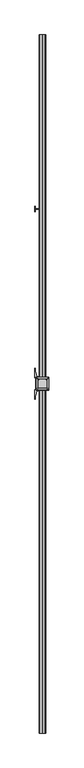
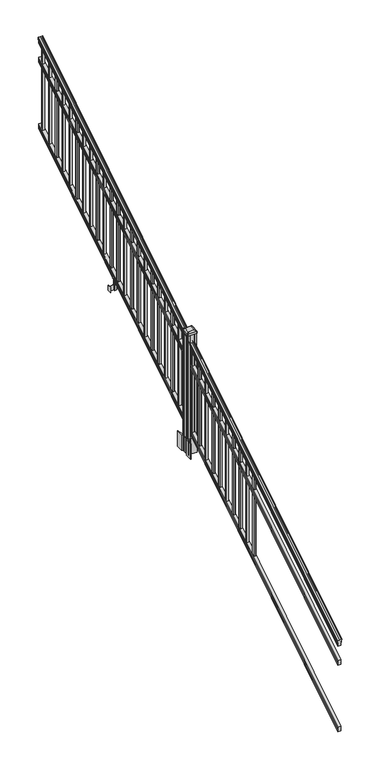
"""IFC4 building model written with IfcOpenShell, lengths in millimetres: railing geometry."""

from ifc_helpers import new_model, si_unit, point, frame, frame_2d, origin, place, context, project, spatial, polyline, circle_curve, ellipse_curve, trimmed, segment, composite_curve, outline, extrude, faceted_brep, source, transform, mapped, element, save
from ifc_brep_helpers import plane_surface, cylinder_surface, revolved_surface, extruded_surface, advanced_brep


def railing_de68df1a(model_context):
    return source(origin(), model_context, "Body", "SolidModel", [
        advanced_brep(
        [(8349.0704765, -129368.4628453, 1133.2070492), (8349.0704765, -129368.4628453, 1135.4335658), (8350.2006628, -129368.4628453, 1137.2758543), (8350.2006628, -129368.4628453, 1145.7876358), (8349.5514064, -129368.4628453, 1148.6572588), (8352.0514064, -129368.4628453, 1153.7635509), (8353.4607489, -129368.4628453, 1155.7442021), (8353.8626479, -129368.4628453, 1157.0469579), (8353.8626478, -129368.4628453, 1158.6274846), (8352.3092005, -129368.4628453, 1160.4593836), (8331.6376478, -129368.4628453, 1160.4593836), (8310.966095, -129368.4628453, 1160.4593836), (8309.4126478, -129368.4628453, 1158.6274846), (8309.4126478, -129368.4628453, 1157.0469579), (8309.8145467, -129368.4628453, 1155.7442021), (8311.2238891, -129368.4628453, 1153.7635509), (8313.7238891, -129368.4628453, 1148.6572588), (8313.0746327, -129368.4628453, 1145.7876358), (8313.0746327, -129368.4628453, 1137.2758543), (8314.204819, -129368.4628453, 1135.4335658), (8314.204819, -129368.4628453, 1133.2070492), (8316.7786478, -129368.4628453, 1133.2070492), (8316.7786478, -129368.4628453, 1120.825537), (8315.7626478, -129368.4628453, 1119.6274214), (8315.7626478, -129368.4628453, 1104.9), (8347.5126478, -129368.4628453, 1104.9), (8347.5126478, -129368.4628453, 1119.441318), (8346.4966478, -129368.4628453, 1120.6394336), (8346.4966478, -129368.4628453, 1133.2070492), (8349.0704765, -124491.6628453, 4181.2070492), (8346.4966478, -124491.6628453, 4181.2070492), (8346.4966478, -124491.6628453, 4168.6394336), (8347.5126478, -124491.6628453, 4167.441318), (8347.5126478, -124491.6628453, 4152.9), (8315.7626478, -124491.6628453, 4152.9), (8315.7626478, -124491.6628453, 4167.6274214), (8316.7786478, -124491.6628453, 4168.825537), (8316.7786478, -124491.6628453, 4181.2070492), (8314.204819, -124491.6628453, 4181.2070492), (8314.204819, -124491.6628453, 4183.4335658), (8313.0746327, -124491.6628453, 4185.2758543), (8313.0746327, -124491.6628453, 4193.7876358), (8313.7238891, -124491.6628453, 4196.6572588), (8311.2238891, -124491.6628453, 4201.7635509), (8309.8145467, -124491.6628453, 4203.7442021), (8309.4126477, -124491.6628453, 4205.0469579), (8309.4126478, -124491.6628453, 4206.6274846), (8310.966095, -124491.6628453, 4208.4593836), (8331.6376478, -124491.6628453, 4208.4593836), (8352.3092005, -124491.6628453, 4208.4593836), (8353.8626478, -124491.6628453, 4206.6274846), (8353.8626478, -124491.6628453, 4205.0469579), (8353.4607489, -124491.6628453, 4203.7442021), (8352.0514064, -124491.6628453, 4201.7635509), (8349.5514064, -124491.6628453, 4196.6572588), (8350.2006628, -124491.6628453, 4193.7876358), (8350.2006628, -124491.6628453, 4185.2758543), (8349.0704765, -124491.6628453, 4183.4335658)],
        [
            (0, 1),
            (1, 2, ellipse_curve(frame((8342.7557232, -129368.4628453, 1142.2239405), z_axis=(0.0, -1.0, 0.0), x_axis=(0.0, 0.0, -1.0)), 10.0777926, 8.545951)),
            (2, 3, ellipse_curve(frame((8343.1927862, -129368.4628453, 1141.5317451), z_axis=(0.0, -1.0, 0.0), x_axis=(0.0, 0.0, -1.0)), 9.2955186, 7.882584)),
            (3, 4, ellipse_curve(frame((8353.7061103, -129368.4628453, 1148.4275077), z_axis=(0.0, 1.0, 0.0), x_axis=(0.0, 0.0, 1.0)), 4.9048088, 4.1592695)),
            (4, 5, ellipse_curve(frame((8354.9934169, -129368.4628453, 1148.3563208), z_axis=(0.0, 1.0, 0.0), x_axis=(0.0, 0.0, 1.0)), 6.4245301, 5.4479907)),
            (5, 6, ellipse_curve(frame((8353.7602584, -129368.4628453, 1153.7602333), z_axis=(0.0, 1.0, 0.0), x_axis=(0.0, 0.0, 1.0)), 2.0151625, 1.7088543)),
            (6, 7, ellipse_curve(frame((8352.1433583, -129368.4628453, 1157.0469579), z_axis=(0.0, -1.0, 0.0), x_axis=(0.0, 0.0, -1.0)), 2.0274681, 1.7192895)),
            (7, 8),
            (8, 9, ellipse_curve(frame((8352.3092005, -129368.4628453, 1158.6274846), z_axis=(0.0, -1.0, 0.0), x_axis=(0.0, 0.0, -1.0)), 1.831899, 1.5534472)),
            (9, 10),
            (10, 11),
            (11, 12, ellipse_curve(frame((8310.966095, -129368.4628453, 1158.6274846), z_axis=(0.0, -1.0, 0.0), x_axis=(0.0, 0.0, -1.0)), 1.831899, 1.5534472)),
            (12, 13),
            (13, 14, ellipse_curve(frame((8311.1319372, -129368.4628453, 1157.0469579), z_axis=(0.0, -1.0, 0.0), x_axis=(0.0, 0.0, -1.0)), 2.0274681, 1.7192895)),
            (14, 15, ellipse_curve(frame((8309.5150371, -129368.4628453, 1153.7602333), z_axis=(0.0, 1.0, 0.0), x_axis=(0.0, 0.0, 1.0)), 2.0151625, 1.7088543)),
            (15, 16, ellipse_curve(frame((8308.2818787, -129368.4628453, 1148.3563208), z_axis=(0.0, 1.0, 0.0), x_axis=(0.0, 0.0, 1.0)), 6.4245301, 5.4479907)),
            (16, 17, ellipse_curve(frame((8309.5691852, -129368.4628453, 1148.4275077), z_axis=(0.0, 1.0, 0.0), x_axis=(0.0, 0.0, 1.0)), 4.9048088, 4.1592695)),
            (17, 18, ellipse_curve(frame((8320.0825093, -129368.4628453, 1141.5317451), z_axis=(0.0, -1.0, 0.0), x_axis=(0.0, 0.0, -1.0)), 9.2955186, 7.882584)),
            (18, 19, ellipse_curve(frame((8320.5195723, -129368.4628453, 1142.2239405), z_axis=(0.0, -1.0, 0.0), x_axis=(0.0, 0.0, -1.0)), 10.0777926, 8.545951)),
            (19, 20),
            (20, 21, ellipse_curve(frame((8315.4917334, -129368.4628453, 1133.2070492), z_axis=(0.0, -1.0, 0.0), x_axis=(0.0, 0.0, -1.0)), 1.5175907, 1.2869144)),
            (21, 22),
            (22, 23),
            (23, 24),
            (24, 25),
            (25, 26),
            (26, 27),
            (27, 28),
            (28, 0, ellipse_curve(frame((8347.7835621, -129368.4628453, 1133.2070492), z_axis=(0.0, -1.0, 0.0), x_axis=(0.0, 0.0, -1.0)), 1.5175907, 1.2869144)),
            (29, 30, ellipse_curve(frame((8347.7835621, -124491.6628453, 4181.2070492), z_axis=(0.0, 1.0, 0.0), x_axis=(0.0, 0.0, -1.0)), 1.5175907, 1.2869144)),
            (30, 31),
            (31, 32),
            (32, 33),
            (33, 34),
            (34, 35),
            (35, 36),
            (36, 37),
            (37, 38, ellipse_curve(frame((8315.4917334, -124491.6628453, 4181.2070492), z_axis=(0.0, 1.0, 0.0), x_axis=(0.0, 0.0, -1.0)), 1.5175907, 1.2869144)),
            (38, 39),
            (39, 40, ellipse_curve(frame((8320.5195723, -124491.6628453, 4190.2239405), z_axis=(0.0, 1.0, 0.0), x_axis=(0.0, 0.0, -1.0)), 10.0777926, 8.545951)),
            (40, 41, ellipse_curve(frame((8320.0825093, -124491.6628453, 4189.5317451), z_axis=(0.0, 1.0, 0.0), x_axis=(0.0, 0.0, -1.0)), 9.2955186, 7.882584)),
            (41, 42, ellipse_curve(frame((8309.5691852, -124491.6628453, 4196.4275077), z_axis=(0.0, -1.0, 0.0), x_axis=(0.0, 0.0, 1.0)), 4.9048088, 4.1592695)),
            (42, 43, ellipse_curve(frame((8308.2818787, -124491.6628453, 4196.3563208), z_axis=(0.0, -1.0, 0.0), x_axis=(0.0, 0.0, 1.0)), 6.4245301, 5.4479907)),
            (43, 44, ellipse_curve(frame((8309.5150371, -124491.6628453, 4201.7602333), z_axis=(0.0, -1.0, 0.0), x_axis=(0.0, 0.0, 1.0)), 2.0151625, 1.7088543)),
            (44, 45, ellipse_curve(frame((8311.1319372, -124491.6628453, 4205.0469579), z_axis=(0.0, 1.0, 0.0), x_axis=(0.0, 0.0, -1.0)), 2.0274681, 1.7192895)),
            (45, 46),
            (46, 47, ellipse_curve(frame((8310.966095, -124491.6628453, 4206.6274846), z_axis=(0.0, 1.0, 0.0), x_axis=(0.0, 0.0, -1.0)), 1.831899, 1.5534472)),
            (47, 48),
            (48, 49),
            (49, 50, ellipse_curve(frame((8352.3092005, -124491.6628453, 4206.6274846), z_axis=(0.0, 1.0, 0.0), x_axis=(0.0, 0.0, -1.0)), 1.831899, 1.5534472)),
            (50, 51),
            (51, 52, ellipse_curve(frame((8352.1433583, -124491.6628453, 4205.0469579), z_axis=(0.0, 1.0, 0.0), x_axis=(0.0, 0.0, -1.0)), 2.0274681, 1.7192895)),
            (52, 53, ellipse_curve(frame((8353.7602584, -124491.6628453, 4201.7602333), z_axis=(0.0, -1.0, 0.0), x_axis=(0.0, 0.0, 1.0)), 2.0151625, 1.7088543)),
            (53, 54, ellipse_curve(frame((8354.9934169, -124491.6628453, 4196.3563208), z_axis=(0.0, -1.0, 0.0), x_axis=(0.0, 0.0, 1.0)), 6.4245301, 5.4479907)),
            (54, 55, ellipse_curve(frame((8353.7061103, -124491.6628453, 4196.4275077), z_axis=(0.0, -1.0, 0.0), x_axis=(0.0, 0.0, 1.0)), 4.9048088, 4.1592695)),
            (55, 56, ellipse_curve(frame((8343.1927862, -124491.6628453, 4189.5317451), z_axis=(0.0, 1.0, 0.0), x_axis=(0.0, 0.0, -1.0)), 9.2955186, 7.882584)),
            (56, 57, ellipse_curve(frame((8342.7557232, -124491.6628453, 4190.2239405), z_axis=(0.0, 1.0, 0.0), x_axis=(0.0, 0.0, -1.0)), 10.0777926, 8.545951)),
            (57, 29),
            (28, 30),
            (29, 0),
            (27, 31),
            (26, 32),
            (25, 33),
            (24, 34),
            (23, 35),
            (22, 36),
            (21, 37),
            (20, 38),
            (19, 39),
            (18, 40),
            (17, 41),
            (16, 42),
            (15, 43),
            (14, 44),
            (13, 45),
            (12, 46),
            (11, 47),
            (10, 48),
            (9, 49),
            (8, 50),
            (7, 51),
            (6, 52),
            (5, 53),
            (4, 54),
            (3, 55),
            (2, 56),
            (1, 57),
        ],
        [
            plane_surface(frame((8331.6376478, -129368.4628453, 1104.9), z_axis=(0.0, -1.0, 0.0), x_axis=(0.0, 0.0, 1.0))),
            plane_surface(frame((8331.6376478, -124491.6628453, 4152.9), z_axis=(0.0, 1.0, 0.0), x_axis=(0.0, 0.0, 1.0))),
            cylinder_surface(frame((8347.7835621, -129381.1851146, 1125.2556309), z_axis=(0.0, -0.8479983040051253, -0.5299989400031204), x_axis=(-1.0, 0.0, 0.0)), 1.2869144),
            plane_surface(frame((8346.4966478, -129368.4628453, 1120.6394336), z_axis=(1.0000000000000002, 0.0, 0.0), x_axis=(0.0, 0.8479983040051253, 0.5299989400031204))),
            plane_surface(frame((8347.5126478, -129368.4628453, 1119.441318), z_axis=(0.7071067811865389, -0.374765844497894, 0.5996253511967226), x_axis=(0.0, 0.8479983040051253, 0.5299989400031204))),
            plane_surface(frame((8347.5126478, -129368.4628453, 1104.9), z_axis=(1.0, 0.0, 0.0), x_axis=(0.0, 0.8479983040051252, 0.5299989400031204))),
            plane_surface(frame((8315.7626478, -129368.4628453, 1104.9), z_axis=(0.0, 0.5299989400031204, -0.8479983040051252), x_axis=(0.0, 0.8479983040051252, 0.5299989400031204))),
            plane_surface(frame((8315.7626478, -129368.4628453, 1119.6274214), z_axis=(-1.0000000000000002, 0.0, 0.0), x_axis=(0.0, 0.8479983040051253, 0.5299989400031204))),
            plane_surface(frame((8316.7786478, -129368.4628453, 1120.825537), z_axis=(-0.7071067811865437, -0.37476584449788986, 0.5996253511967191), x_axis=(0.0, 0.8479983040051252, 0.5299989400031204))),
            plane_surface(frame((8316.7786478, -129368.4628453, 1133.2070492), z_axis=(-1.0, 0.0, 0.0), x_axis=(0.0, 0.8479983040051252, 0.5299989400031204))),
            cylinder_surface(frame((8315.4917334, -129381.1851146, 1125.2556309), z_axis=(0.0, -0.8479983040051253, -0.5299989400031204), x_axis=(1.0, 0.0, 0.0)), 1.2869144),
            plane_surface(frame((8314.204819, -129368.4628453, 1135.4335658), z_axis=(-1.0, 0.0, 0.0), x_axis=(0.0, 0.8479983040051252, 0.5299989400031204))),
            cylinder_surface(frame((8320.5195723, -129385.23765, 1131.7396876), z_axis=(0.0, -0.8479983040051253, -0.5299989400031204), x_axis=(1.0, 0.0, 0.0)), 8.545951),
            cylinder_surface(frame((8320.0825093, -129384.9265509, 1131.241929), z_axis=(0.0, -0.8479983040051253, -0.5299989400031204), x_axis=(1.0, 0.0, 0.0)), 7.882584),
            revolved_surface(polyline([(8313.7284547, -124489.45843685034, 4197.805262980552), (8313.7284547, -129370.66725374945, 1147.0497524190953)]), (8309.5691852, -129388.0257701, 1136.2006797), (0.0, 0.8479983040051253, 0.5299989400031204)),
            revolved_surface(polyline([(8313.7298694, -124488.77541603574, 4198.160964077185), (8313.7298694, -129371.35027455281, 1146.551677504493)]), (8308.2818787, -129387.993776, 1136.1494891), (0.0, 0.8479983040051253, 0.5299989400031204)),
            revolved_surface(polyline([(8311.2238914, -124490.75715429979, 4202.326290199658), (8311.2238914, -129369.36853632248, 1153.1941764359544)]), (8309.5150371, -129390.4225007, 1140.0354487), (0.0, 0.8479983040051253, 0.5299989400031204)),
            cylinder_surface(frame((8311.1319372, -129391.8996803, 1142.398936), z_axis=(0.0, -0.8479983040051253, -0.5299989400031204), x_axis=(1.0, 0.0, 0.0)), 1.7192895),
            plane_surface(frame((8309.4126478, -129368.4628453, 1158.6274846), z_axis=(-1.0, 0.0, 0.0), x_axis=(0.0, 0.8479983040051252, 0.5299989400031204))),
            cylinder_surface(frame((8310.966095, -129392.6100294, 1143.5354945), z_axis=(0.0, -0.8479983040051253, -0.5299989400031204), x_axis=(1.0, 0.0, 0.0)), 1.5534472),
            plane_surface(frame((8331.6376478, -129368.4628453, 1160.4593836), z_axis=(0.0, -0.5299989400031204, 0.8479983040051252), x_axis=(0.0, 0.8479983040051252, 0.5299989400031204))),
            plane_surface(frame((8352.3092005, -129368.4628453, 1160.4593836), z_axis=(0.0, -0.5299989400031204, 0.8479983040051252), x_axis=(0.0, 0.8479983040051252, 0.5299989400031204))),
            cylinder_surface(frame((8352.3092005, -129392.6100294, 1143.5354945), z_axis=(0.0, -0.8479983040051253, -0.5299989400031204), x_axis=(-1.0, 0.0, 0.0)), 1.5534472),
            plane_surface(frame((8353.8626478, -129368.4628453, 1157.0469579), z_axis=(1.0000000000000002, 0.0, 0.0), x_axis=(0.0, 0.8479983040051253, 0.5299989400031204))),
            cylinder_surface(frame((8352.1433583, -129391.8996803, 1142.398936), z_axis=(0.0, -0.8479983040051253, -0.5299989400031204), x_axis=(-1.0, 0.0, 0.0)), 1.7192895),
            revolved_surface(polyline([(8352.051404099999, -124490.75715429979, 4202.326290199658), (8352.051404099999, -129369.36853632248, 1153.1941764359544)]), (8353.7602584, -129390.4225007, 1140.0354487), (0.0, 0.8479983040051253, 0.5299989400031204)),
            revolved_surface(polyline([(8349.5454262, -124488.77541603574, 4198.160964077185), (8349.5454262, -129371.35027455281, 1146.551677504493)]), (8354.9934169, -129387.993776, 1136.1494891), (0.0, 0.8479983040051253, 0.5299989400031204)),
            revolved_surface(polyline([(8349.5468408, -124489.45843685034, 4197.805262980552), (8349.5468408, -129370.66725374945, 1147.0497524190953)]), (8353.7061103, -129388.0257701, 1136.2006797), (0.0, 0.8479983040051253, 0.5299989400031204)),
            cylinder_surface(frame((8343.1927862, -129384.9265509, 1131.241929), z_axis=(0.0, -0.8479983040051253, -0.5299989400031204), x_axis=(-1.0, 0.0, 0.0)), 7.882584),
            cylinder_surface(frame((8342.7557232, -129385.23765, 1131.7396876), z_axis=(0.0, -0.8479983040051253, -0.5299989400031204), x_axis=(-1.0, 0.0, 0.0)), 8.545951),
            plane_surface(frame((8349.0704765, -129368.4628453, 1133.2070492), z_axis=(1.0, 0.0, 0.0), x_axis=(0.0, 0.8479983040051252, 0.5299989400031204))),
        ],
        [
            (0, [[1, 2, 3, 4, 5, 6, 7, 8, 9, 10, 11, 12, 13, 14, 15, 16, 17, 18, 19, 20, 21, 22, 23, 24, 25, 26, 27, 28, 29]]),
            (1, [[30, 31, 32, 33, 34, 35, 36, 37, 38, 39, 40, 41, 42, 43, 44, 45, 46, 47, 48, 49, 50, 51, 52, 53, 54, 55, 56, 57, 58]]),
            (2, [[-29, 59, -30, 60]]),
            (3, [[-28, 61, -31, -59]]),
            (4, [[-27, 62, -32, -61]]),
            (5, [[-26, 63, -33, -62]]),
            (6, [[-25, 64, -34, -63]]),
            (7, [[-24, 65, -35, -64]]),
            (8, [[-23, 66, -36, -65]]),
            (9, [[-22, 67, -37, -66]]),
            (10, [[-21, 68, -38, -67]]),
            (11, [[-20, 69, -39, -68]]),
            (12, [[-19, 70, -40, -69]]),
            (13, [[-18, 71, -41, -70]]),
            (14, [[-17, 72, -42, -71]]),
            (15, [[-16, 73, -43, -72]]),
            (16, [[-15, 74, -44, -73]]),
            (17, [[-14, 75, -45, -74]]),
            (18, [[-13, 76, -46, -75]]),
            (19, [[-12, 77, -47, -76]]),
            (20, [[-11, 78, -48, -77]]),
            (21, [[-10, 79, -49, -78]]),
            (22, [[-9, 80, -50, -79]]),
            (23, [[-8, 81, -51, -80]]),
            (24, [[-7, 82, -52, -81]]),
            (25, [[-6, 83, -53, -82]]),
            (26, [[-5, 84, -54, -83]]),
            (27, [[-4, 85, -55, -84]]),
            (28, [[-3, 86, -56, -85]]),
            (29, [[-2, 87, -57, -86]]),
            (30, [[-1, -60, -58, -87]]),
        ],
    ),
        faceted_brep([(8347.5501347, -129368.4628453, 929.2045079), (8346.5341347, -129368.4628453, 930.738026), (8346.5341347, -129368.4628453, 942.9545048), (8347.5501347, -129368.4628453, 944.5444579), (8347.5501347, -129368.4628453, 959.3244744), (8315.8001347, -129368.4628453, 959.3244744), (8315.8001347, -129368.4628453, 944.5248272), (8316.8161347, -129368.4628453, 942.9348741), (8316.8161347, -129368.4628453, 930.7748303), (8315.8001347, -129368.4628453, 929.1848772), (8315.8001347, -129368.4628453, 914.4), (8347.5501347, -129368.4628453, 914.4), (8347.5501347, -124491.6628453, 3977.2045079), (8347.5501347, -124491.6628453, 3962.4), (8315.8001347, -124491.6628453, 3962.4), (8315.8001347, -124491.6628453, 3977.1848772), (8316.8161347, -124491.6628453, 3978.7748303), (8316.8161347, -124491.6628453, 3990.9348741), (8315.8001347, -124491.6628453, 3992.5248272), (8315.8001347, -124491.6628453, 4007.3244744), (8347.5501347, -124491.6628453, 4007.3244744), (8347.5501347, -124491.6628453, 3992.5444579), (8346.5341347, -124491.6628453, 3990.9545048), (8346.5341347, -124491.6628453, 3978.738026)], [[[0, 1, 2, 3, 4, 5, 6, 7, 8, 9, 10, 11]], [[12, 13, 14, 15, 16, 17, 18, 19, 20, 21, 22, 23]], [[0, 11, 13, 12]], [[11, 10, 14, 13]], [[10, 9, 15, 14]], [[9, 8, 16, 15]], [[8, 7, 17, 16]], [[7, 6, 18, 17]], [[6, 5, 19, 18]], [[5, 4, 20, 19]], [[4, 3, 21, 20]], [[3, 2, 22, 21]], [[2, 1, 23, 22]], [[1, 0, 12, 23]]]),
        faceted_brep([(8347.5501347, -129368.4628453, 268.8045079), (8346.5341347, -129368.4628453, 270.338026), (8346.5341347, -129368.4628453, 282.5545048), (8347.5501347, -129368.4628453, 284.1444579), (8347.5501347, -129368.4628453, 298.9244744), (8315.8001347, -129368.4628453, 298.9244744), (8315.8001347, -129368.4628453, 284.1248272), (8316.8161347, -129368.4628453, 282.5348741), (8316.8161347, -129368.4628453, 270.3748303), (8315.8001347, -129368.4628453, 268.7848772), (8315.8001347, -129368.4628453, 254.0), (8347.5501347, -129368.4628453, 254.0), (8347.5501347, -124491.6628453, 3316.8045079), (8347.5501347, -124491.6628453, 3302.0), (8315.8001347, -124491.6628453, 3302.0), (8315.8001347, -124491.6628453, 3316.7848772), (8316.8161347, -124491.6628453, 3318.3748303), (8316.8161347, -124491.6628453, 3330.5348741), (8315.8001347, -124491.6628453, 3332.1248272), (8315.8001347, -124491.6628453, 3346.9244744), (8347.5501347, -124491.6628453, 3346.9244744), (8347.5501347, -124491.6628453, 3332.1444579), (8346.5341347, -124491.6628453, 3330.5545048), (8346.5341347, -124491.6628453, 3318.338026)], [[[0, 1, 2, 3, 4, 5, 6, 7, 8, 9, 10, 11]], [[12, 13, 14, 15, 16, 17, 18, 19, 20, 21, 22, 23]], [[2, 1, 23, 22]], [[4, 3, 21, 20]], [[6, 5, 19, 18]], [[0, 11, 13, 12]], [[1, 0, 12, 23]], [[3, 2, 22, 21]], [[5, 4, 20, 19]], [[7, 6, 18, 17]], [[8, 7, 17, 16]], [[9, 8, 16, 15]], [[10, 9, 15, 14]], [[11, 10, 14, 13]]]),
        extrude(outline(polyline([(8341.1626478, -124548.4318453), (8322.1126478, -124548.4318453), (8322.1126478, -124529.3818453), (8341.1626478, -124529.3818453), (8341.1626478, -124548.4318453)]), holes=[polyline([(8340.7657728, -124548.0349703), (8340.7657728, -124529.7787203), (8322.5095228, -124529.7787203), (8322.5095228, -124548.0349703), (8340.7657728, -124548.0349703)])]), frame((0.0, 0.0, 3310.5683781), z_axis=(0.0, 0.0, 1.0), x_axis=(1.0, 0.0, 0.0)), (0.0, 0.0, 1.0), 812.8041219),
        extrude(outline(polyline([(8341.1626478, -124659.6838453), (8322.1126478, -124659.6838453), (8322.1126478, -124640.6338453), (8341.1626478, -124640.6338453), (8341.1626478, -124659.6838453)]), holes=[polyline([(8340.7657728, -124659.2869703), (8340.7657728, -124641.0307203), (8322.5095228, -124641.0307203), (8322.5095228, -124659.2869703), (8340.7657728, -124659.2869703)])]), frame((0.0, 0.0, 3241.0358781), z_axis=(0.0, 0.0, 1.0), x_axis=(1.0, 0.0, 0.0)), (0.0, 0.0, 1.0), 812.8041219),
        extrude(outline(polyline([(8341.1626478, -124770.9358453), (8322.1126478, -124770.9358453), (8322.1126478, -124751.8858453), (8341.1626478, -124751.8858453), (8341.1626478, -124770.9358453)]), holes=[polyline([(8340.7657728, -124770.5389703), (8340.7657728, -124752.2827203), (8322.5095228, -124752.2827203), (8322.5095228, -124770.5389703), (8340.7657728, -124770.5389703)])]), frame((0.0, 0.0, 3171.5033781), z_axis=(0.0, 0.0, 1.0), x_axis=(1.0, 0.0, 0.0)), (0.0, 0.0, 1.0), 812.8041219),
        extrude(outline(polyline([(8341.1626478, -124882.1878453), (8322.1126478, -124882.1878453), (8322.1126478, -124863.1378453), (8341.1626478, -124863.1378453), (8341.1626478, -124882.1878453)]), holes=[polyline([(8340.7657728, -124881.7909703), (8340.7657728, -124863.5347203), (8322.5095228, -124863.5347203), (8322.5095228, -124881.7909703), (8340.7657728, -124881.7909703)])]), frame((0.0, 0.0, 3101.9708781), z_axis=(0.0, 0.0, 1.0), x_axis=(1.0, 0.0, 0.0)), (0.0, 0.0, 1.0), 812.8041219),
        extrude(outline(polyline([(8341.1626478, -124993.4398453), (8322.1126478, -124993.4398453), (8322.1126478, -124974.3898453), (8341.1626478, -124974.3898453), (8341.1626478, -124993.4398453)]), holes=[polyline([(8340.7657728, -124993.0429703), (8340.7657728, -124974.7867203), (8322.5095228, -124974.7867203), (8322.5095228, -124993.0429703), (8340.7657728, -124993.0429703)])]), frame((0.0, 0.0, 3032.4383781), z_axis=(0.0, 0.0, 1.0), x_axis=(1.0, 0.0, 0.0)), (0.0, 0.0, 1.0), 812.8041219),
        extrude(outline(polyline([(8341.1626478, -125104.6918453), (8322.1126478, -125104.6918453), (8322.1126478, -125085.6418453), (8341.1626478, -125085.6418453), (8341.1626478, -125104.6918453)]), holes=[polyline([(8340.7657728, -125104.2949703), (8340.7657728, -125086.0387203), (8322.5095228, -125086.0387203), (8322.5095228, -125104.2949703), (8340.7657728, -125104.2949703)])]), frame((0.0, 0.0, 2962.9058781), z_axis=(0.0, 0.0, 1.0), x_axis=(1.0, 0.0, 0.0)), (0.0, 0.0, 1.0), 812.8041219),
        extrude(outline(polyline([(8341.1626478, -125215.9438453), (8322.1126478, -125215.9438453), (8322.1126478, -125196.8938453), (8341.1626478, -125196.8938453), (8341.1626478, -125215.9438453)]), holes=[polyline([(8340.7657728, -125215.5469703), (8340.7657728, -125197.2907203), (8322.5095228, -125197.2907203), (8322.5095228, -125215.5469703), (8340.7657728, -125215.5469703)])]), frame((0.0, 0.0, 2893.3733781), z_axis=(0.0, 0.0, 1.0), x_axis=(1.0, 0.0, 0.0)), (0.0, 0.0, 1.0), 812.8041219),
        extrude(outline(polyline([(8341.1626478, -125327.1958453), (8322.1126478, -125327.1958453), (8322.1126478, -125308.1458453), (8341.1626478, -125308.1458453), (8341.1626478, -125327.1958453)]), holes=[polyline([(8340.7657728, -125326.7989703), (8340.7657728, -125308.5427203), (8322.5095228, -125308.5427203), (8322.5095228, -125326.7989703), (8340.7657728, -125326.7989703)])]), frame((0.0, 0.0, 2823.8408781), z_axis=(0.0, 0.0, 1.0), x_axis=(1.0, 0.0, 0.0)), (0.0, 0.0, 1.0), 812.8041219),
        extrude(outline(polyline([(8341.1626478, -125438.4478453), (8322.1126478, -125438.4478453), (8322.1126478, -125419.3978453), (8341.1626478, -125419.3978453), (8341.1626478, -125438.4478453)]), holes=[polyline([(8340.7657728, -125438.0509703), (8340.7657728, -125419.7947203), (8322.5095228, -125419.7947203), (8322.5095228, -125438.0509703), (8340.7657728, -125438.0509703)])]), frame((0.0, 0.0, 2754.3083781), z_axis=(0.0, 0.0, 1.0), x_axis=(1.0, 0.0, 0.0)), (0.0, 0.0, 1.0), 812.8041219),
        extrude(outline(polyline([(8341.1626478, -125549.6998453), (8322.1126478, -125549.6998453), (8322.1126478, -125530.6498453), (8341.1626478, -125530.6498453), (8341.1626478, -125549.6998453)]), holes=[polyline([(8340.7657728, -125549.3029703), (8340.7657728, -125531.0467203), (8322.5095228, -125531.0467203), (8322.5095228, -125549.3029703), (8340.7657728, -125549.3029703)])]), frame((0.0, 0.0, 2684.7758781), z_axis=(0.0, 0.0, 1.0), x_axis=(1.0, 0.0, 0.0)), (0.0, 0.0, 1.0), 812.8041219),
        extrude(outline(polyline([(8341.1626478, -125660.9518453), (8322.1126478, -125660.9518453), (8322.1126478, -125641.9018453), (8341.1626478, -125641.9018453), (8341.1626478, -125660.9518453)]), holes=[polyline([(8340.7657728, -125660.5549703), (8340.7657728, -125642.2987203), (8322.5095228, -125642.2987203), (8322.5095228, -125660.5549703), (8340.7657728, -125660.5549703)])]), frame((0.0, 0.0, 2615.2433781), z_axis=(0.0, 0.0, 1.0), x_axis=(1.0, 0.0, 0.0)), (0.0, 0.0, 1.0), 812.8041219),
        extrude(outline(polyline([(8320.969648, -125708.3228453), (8281.5996478, -125708.3228453), (8281.5996478, -125705.7828453), (8320.969648, -125705.7828453), (8320.969648, -125708.3228453)])), frame((0.0, 0.0, 2428.08125), z_axis=(0.0, 0.0, 1.0), x_axis=(1.0, 0.0, 0.0)), (0.0, 0.0, 1.0), 50.8),
        extrude(outline(polyline([(8281.5996478, -125726.1028453), (8279.0596478, -125726.1028453), (8279.0596478, -125688.0028453), (8281.5996478, -125688.0028453), (8281.5996478, -125726.1028453)])), frame((0.0, 0.0, 2428.08125), z_axis=(0.0, 0.0, 1.0), x_axis=(1.0, 0.0, 0.0)), (0.0, 0.0, 1.0), 50.8),
        extrude(outline(polyline([(8342.3056485, -125716.9588453), (8320.969648, -125716.9588453), (8320.969648, -125697.1468453), (8342.3056485, -125697.1468453), (8342.3056485, -125716.9588453)]), holes=[polyline([(8339.0036484, -125714.4188453), (8339.0036484, -125699.6868453), (8324.2716481, -125699.6868453), (8324.2716481, -125714.4188453), (8339.0036484, -125714.4188453)])]), frame((0.0, 0.0, 2428.08125), z_axis=(0.0, 0.0, 1.0), x_axis=(1.0, 0.0, 0.0)), (0.0, 0.0, 1.0), 50.8),
        extrude(outline(polyline([(2567.6016479, 8313.4766489), (2566.8396469, 8312.7146479), (2540.3492523, 8312.7146479), (2539.5872513, 8313.4766489), (2539.5872513, 8323.509648), (2538.8252512, 8324.2716481), (2475.3252512, 8324.2716481), (2475.3252512, 8339.0036484), (2538.8252512, 8339.0036484), (2539.5872513, 8339.7656485), (2539.5872513, 8349.7986475), (2540.3492523, 8350.5606486), (2566.8396469, 8350.5606486), (2567.6016479, 8349.7986475), (2567.6016479, 8347.766648), (2566.5856453, 8346.7506482), (2556.1498581, 8346.7506482), (2555.1338573, 8347.766648), (2543.143251, 8347.766648), (2542.3812519, 8347.0046488), (2542.3812519, 8316.2706477), (2543.143251, 8315.5086485), (2555.1338573, 8315.5086485), (2556.1498581, 8316.5246483), (2566.5856453, 8316.5246483), (2567.6016479, 8315.5086485), (2567.6016479, 8313.4766489)]), holes=[polyline([(2539.5872513, 8335.0666481), (2538.8252512, 8335.8286482), (2482.8182531, 8335.8286482), (2482.0562531, 8335.0666481), (2482.0562531, 8328.2086455), (2482.8182503, 8327.4466483), (2538.8252512, 8327.4466483), (2539.5872513, 8328.2086483), (2539.5872513, 8335.0666481)])]), frame((0.0, -125714.4188453, 0.0), z_axis=(0.0, 1.0, 0.0), x_axis=(0.0, 0.0, 1.0)), (0.0, 0.0, 1.0), 14.732),
        extrude(outline(polyline([(8341.1626478, -125772.2038453), (8322.1126478, -125772.2038453), (8322.1126478, -125753.1538453), (8341.1626478, -125753.1538453), (8341.1626478, -125772.2038453)]), holes=[polyline([(8340.7657728, -125771.8069703), (8340.7657728, -125753.5507203), (8322.5095228, -125753.5507203), (8322.5095228, -125771.8069703), (8340.7657728, -125771.8069703)])]), frame((0.0, 0.0, 2545.7108781), z_axis=(0.0, 0.0, 1.0), x_axis=(1.0, 0.0, 0.0)), (0.0, 0.0, 1.0), 812.8041219),
        extrude(outline(polyline([(8341.1626478, -125883.4558453), (8322.1126478, -125883.4558453), (8322.1126478, -125864.4058453), (8341.1626478, -125864.4058453), (8341.1626478, -125883.4558453)]), holes=[polyline([(8340.7657728, -125883.0589703), (8340.7657728, -125864.8027203), (8322.5095228, -125864.8027203), (8322.5095228, -125883.0589703), (8340.7657728, -125883.0589703)])]), frame((0.0, 0.0, 2476.1783781), z_axis=(0.0, 0.0, 1.0), x_axis=(1.0, 0.0, 0.0)), (0.0, 0.0, 1.0), 812.8041219),
        extrude(outline(polyline([(8341.1626478, -125994.7078453), (8322.1126478, -125994.7078453), (8322.1126478, -125975.6578453), (8341.1626478, -125975.6578453), (8341.1626478, -125994.7078453)]), holes=[polyline([(8340.7657728, -125994.3109703), (8340.7657728, -125976.0547203), (8322.5095228, -125976.0547203), (8322.5095228, -125994.3109703), (8340.7657728, -125994.3109703)])]), frame((0.0, 0.0, 2406.6458781), z_axis=(0.0, 0.0, 1.0), x_axis=(1.0, 0.0, 0.0)), (0.0, 0.0, 1.0), 812.8041219),
        extrude(outline(polyline([(8341.1626478, -126105.9598453), (8322.1126478, -126105.9598453), (8322.1126478, -126086.9098453), (8341.1626478, -126086.9098453), (8341.1626478, -126105.9598453)]), holes=[polyline([(8340.7657728, -126105.5629703), (8340.7657728, -126087.3067203), (8322.5095228, -126087.3067203), (8322.5095228, -126105.5629703), (8340.7657728, -126105.5629703)])]), frame((0.0, 0.0, 2337.1133781), z_axis=(0.0, 0.0, 1.0), x_axis=(1.0, 0.0, 0.0)), (0.0, 0.0, 1.0), 812.8041219),
        extrude(outline(polyline([(8341.1626478, -126217.2118453), (8322.1126478, -126217.2118453), (8322.1126478, -126198.1618453), (8341.1626478, -126198.1618453), (8341.1626478, -126217.2118453)]), holes=[polyline([(8340.7657728, -126216.8149703), (8340.7657728, -126198.5587203), (8322.5095228, -126198.5587203), (8322.5095228, -126216.8149703), (8340.7657728, -126216.8149703)])]), frame((0.0, 0.0, 2267.5808781), z_axis=(0.0, 0.0, 1.0), x_axis=(1.0, 0.0, 0.0)), (0.0, 0.0, 1.0), 812.8041219),
        extrude(outline(polyline([(8341.1626478, -126328.4638453), (8322.1126478, -126328.4638453), (8322.1126478, -126309.4138453), (8341.1626478, -126309.4138453), (8341.1626478, -126328.4638453)]), holes=[polyline([(8340.7657728, -126328.0669703), (8340.7657728, -126309.8107203), (8322.5095228, -126309.8107203), (8322.5095228, -126328.0669703), (8340.7657728, -126328.0669703)])]), frame((0.0, 0.0, 2198.0483781), z_axis=(0.0, 0.0, 1.0), x_axis=(1.0, 0.0, 0.0)), (0.0, 0.0, 1.0), 812.8041219),
        extrude(outline(polyline([(8341.1626478, -126439.7158453), (8322.1126478, -126439.7158453), (8322.1126478, -126420.6658453), (8341.1626478, -126420.6658453), (8341.1626478, -126439.7158453)]), holes=[polyline([(8340.7657728, -126439.3189703), (8340.7657728, -126421.0627203), (8322.5095228, -126421.0627203), (8322.5095228, -126439.3189703), (8340.7657728, -126439.3189703)])]), frame((0.0, 0.0, 2128.5158781), z_axis=(0.0, 0.0, 1.0), x_axis=(1.0, 0.0, 0.0)), (0.0, 0.0, 1.0), 812.8041219),
        extrude(outline(polyline([(8341.1626478, -126550.9678453), (8322.1126478, -126550.9678453), (8322.1126478, -126531.9178453), (8341.1626478, -126531.9178453), (8341.1626478, -126550.9678453)]), holes=[polyline([(8340.7657728, -126550.5709703), (8340.7657728, -126532.3147203), (8322.5095228, -126532.3147203), (8322.5095228, -126550.5709703), (8340.7657728, -126550.5709703)])]), frame((0.0, 0.0, 2058.9833781), z_axis=(0.0, 0.0, 1.0), x_axis=(1.0, 0.0, 0.0)), (0.0, 0.0, 1.0), 812.8041219),
        extrude(outline(polyline([(8341.1626478, -126662.2198453), (8322.1126478, -126662.2198453), (8322.1126478, -126643.1698453), (8341.1626478, -126643.1698453), (8341.1626478, -126662.2198453)]), holes=[polyline([(8340.7657728, -126661.8229703), (8340.7657728, -126643.5667203), (8322.5095228, -126643.5667203), (8322.5095228, -126661.8229703), (8340.7657728, -126661.8229703)])]), frame((0.0, 0.0, 1989.4508781), z_axis=(0.0, 0.0, 1.0), x_axis=(1.0, 0.0, 0.0)), (0.0, 0.0, 1.0), 812.8041219),
        extrude(outline(polyline([(8341.1626478, -126773.4718453), (8322.1126478, -126773.4718453), (8322.1126478, -126754.4218453), (8341.1626478, -126754.4218453), (8341.1626478, -126773.4718453)]), holes=[polyline([(8340.7657728, -126773.0749703), (8340.7657728, -126754.8187203), (8322.5095228, -126754.8187203), (8322.5095228, -126773.0749703), (8340.7657728, -126773.0749703)])]), frame((0.0, 0.0, 1919.9183781), z_axis=(0.0, 0.0, 1.0), x_axis=(1.0, 0.0, 0.0)), (0.0, 0.0, 1.0), 812.8041219),
        extrude(outline(polyline([(8341.1626478, -126884.7238453), (8322.1126478, -126884.7238453), (8322.1126478, -126865.6738453), (8341.1626478, -126865.6738453), (8341.1626478, -126884.7238453)]), holes=[polyline([(8340.7657728, -126884.3269703), (8340.7657728, -126866.0707203), (8322.5095228, -126866.0707203), (8322.5095228, -126884.3269703), (8340.7657728, -126884.3269703)])]), frame((0.0, 0.0, 1850.3858781), z_axis=(0.0, 0.0, 1.0), x_axis=(1.0, 0.0, 0.0)), (0.0, 0.0, 1.0), 812.8041219),
        extrude(outline(composite_curve([segment(polyline([(8374.3731478, -126944.9089401), (8375.9606478, -126945.6709401), (8375.9606478, -126968.4728682), (8372.5876707, -126971.8458453), (8311.1279999, -126971.8458453), (8311.1279999, -126972.7665953), (8305.8104561, -126972.7665953), (8305.8104561, -126974.22085), (8300.7259264, -126974.22085), (8300.7259264, -126975.5048738), (8299.0586541, -126975.5048738)]), True, "CONTINUOUS"), segment(trimmed(circle_curve(frame_2d((8299.0586541, -126982.5643337)), 7.0594599), [point((8299.0586541, -126975.5048738))], [point((8292.2913912, -126980.554327))], True, "CARTESIAN"), True, "CONTINUOUS"), segment(polyline([(8292.2913912, -126980.554327), (8284.4171969, -127007.0650561)]), True, "CONTINUOUS"), segment(trimmed(circle_curve(frame_2d((8339.2017103, -127023.3371057)), 57.15), [point((8284.4171969, -127007.0650561))], [point((8282.0517103, -127023.3371057))], True, "CARTESIAN"), True, "CONTINUOUS"), segment(polyline([(8282.0517103, -127023.3371057), (8282.0517103, -127035.3458453), (8279.0517103, -127035.3458453), (8279.0517103, -126970.2583453), (8287.3146478, -126958.920054), (8287.3146478, -126945.6709401), (8288.9021478, -126944.9089401), (8288.9021478, -126910.1367504), (8287.3146478, -126909.3747504), (8287.3146478, -126896.1256366), (8279.0517103, -126884.7873453), (8279.0517103, -126819.6998453), (8282.0517103, -126819.6998453), (8282.0517103, -126831.7085848)]), True, "CONTINUOUS"), segment(trimmed(circle_curve(frame_2d((8339.2017103, -126831.7085848)), 57.15), [point((8282.0517103, -126831.7085848))], [point((8284.4171969, -126847.9806345))], True, "CARTESIAN"), True, "CONTINUOUS"), segment(polyline([(8284.4171969, -126847.9806345), (8292.2913912, -126874.4913636)]), True, "CONTINUOUS"), segment(trimmed(circle_curve(frame_2d((8299.0586541, -126872.4813569)), 7.0594599), [point((8292.2913912, -126874.4913636))], [point((8299.0586541, -126879.5408168))], True, "CARTESIAN"), True, "CONTINUOUS"), segment(polyline([(8299.0586541, -126879.5408168), (8300.7259264, -126879.5408168), (8300.7259264, -126880.8248406), (8305.8104561, -126880.8248406), (8305.8104561, -126882.2790953), (8311.1279999, -126882.2790953), (8311.1279999, -126883.1998453), (8372.5876707, -126883.1998453), (8375.9606478, -126886.5728224), (8375.9606478, -126909.3747504), (8374.3731478, -126910.1367504), (8374.3731478, -126944.9089401)]), True, "CONTINUOUS")], self_intersect=False), holes=[polyline([(8290.3626478, -126887.8353453), (8290.3626478, -126967.2103453), (8291.9501478, -126968.7978453), (8328.8744304, -126968.7978453), (8371.3251478, -126968.7978453), (8372.9126478, -126967.2103453), (8372.9126478, -126887.8353453), (8371.3251478, -126886.2478453), (8328.8744304, -126886.2478453), (8291.9501478, -126886.2478453), (8290.3626478, -126887.8353453)])]), frame((0.0, 0.0, 1563.6875), z_axis=(0.0, 0.0, 1.0), x_axis=(1.0, 0.0, 0.0)), (0.0, 0.0, 1.0), 152.4),
        advanced_brep(
        [(8305.8407728, -126956.4947203, 2776.026763), (8357.4345228, -126956.4947203, 2776.026763), (8360.6095228, -126953.3197203, 2776.026763), (8360.6095228, -126901.7259703, 2776.026763), (8357.4345228, -126898.5509703, 2776.026763), (8305.8407728, -126898.5509703, 2776.026763), (8302.6657728, -126901.7259703, 2776.026763), (8302.6657728, -126953.3197203, 2776.026763), (8289.5688978, -126972.7665953, 2764.723763), (8286.3938978, -126969.5915953, 2764.723763), (8286.3938978, -126885.4540953, 2764.723763), (8289.5688978, -126882.2790953, 2764.723763), (8373.7063978, -126882.2790953, 2764.723763), (8376.8813978, -126885.4540953, 2764.723763), (8376.8813978, -126969.5915953, 2764.723763), (8373.7063978, -126972.7665953, 2764.723763)],
        [
            (0, 1),
            (1, 2, circle_curve(frame((8357.4345228, -126953.3197203, 2776.026763), z_axis=(0.0, 0.0, 1.0), x_axis=(0.0, 1.0, 0.0)), 3.175)),
            (2, 3),
            (3, 4, circle_curve(frame((8357.4345228, -126901.7259703, 2776.026763), z_axis=(0.0, 0.0, 1.0), x_axis=(0.0, 1.0, 0.0)), 3.175)),
            (4, 5),
            (5, 6, circle_curve(frame((8305.8407728, -126901.7259703, 2776.026763), z_axis=(0.0, 0.0, 1.0), x_axis=(0.0, 1.0, 0.0)), 3.175)),
            (6, 7),
            (7, 0, circle_curve(frame((8305.8407728, -126953.3197203, 2776.026763), z_axis=(0.0, 0.0, 1.0), x_axis=(0.0, 1.0, 0.0)), 3.175)),
            (8, 9, circle_curve(frame((8289.5688978, -126969.5915953, 2764.723763), z_axis=(0.0, 0.0, -1.0), x_axis=(0.0, 1.0, 0.0)), 3.175)),
            (9, 10),
            (10, 11, circle_curve(frame((8289.5688978, -126885.4540953, 2764.723763), z_axis=(0.0, 0.0, -1.0), x_axis=(0.0, 1.0, 0.0)), 3.175)),
            (11, 12),
            (12, 13, circle_curve(frame((8373.7063978, -126885.4540953, 2764.723763), z_axis=(0.0, 0.0, -1.0), x_axis=(0.0, 1.0, 0.0)), 3.175)),
            (13, 14),
            (14, 15, circle_curve(frame((8373.7063978, -126969.5915953, 2764.723763), z_axis=(0.0, 0.0, -1.0), x_axis=(0.0, 1.0, 0.0)), 3.175)),
            (15, 8),
            (8, 0),
            (7, 9),
            (6, 10),
            (5, 11),
            (4, 12),
            (3, 13),
            (2, 14),
            (1, 15),
        ],
        [
            plane_surface(frame((8331.6376478, -126927.5228453, 2776.026763), z_axis=(0.0, 0.0, 1.0), x_axis=(-1.0, 0.0, 0.0))),
            plane_surface(frame((8331.6376478, -126927.5228453, 2764.723763), z_axis=(0.0, 0.0, -1.0), x_axis=(-1.0, 0.0, 0.0))),
            extruded_surface(trimmed(circle_curve(frame((8305.8407728, -126953.3197203, 2776.026763), z_axis=(0.0, 0.0, -1.0), x_axis=(0.0, 1.0, 0.0)), 3.175), [point((8305.8407728, -126956.4947203, 2776.026763))], [point((8302.6657728, -126953.3197203, 2776.026763))], True, "CARTESIAN"), (-16.271875000000364, -16.27187499999127, -11.302999999999884), 25.637972638860802),
            plane_surface(frame((8286.3938978, -126927.5228453, 2764.723763), z_axis=(-0.5705009161540778, 0.0, 0.8212969649690408), x_axis=(0.0, 1.0, 0.0))),
            extruded_surface(trimmed(circle_curve(frame((8305.8407728, -126901.7259703, 2776.026763), z_axis=(0.0, 0.0, -1.0), x_axis=(0.0, 1.0, 0.0)), 3.175), [point((8302.6657728, -126901.7259703, 2776.026763))], [point((8305.8407728, -126898.5509703, 2776.026763))], True, "CARTESIAN"), (-16.271875000000364, 16.27187500000582, -11.302999999999884), 25.637972638870036),
            plane_surface(frame((8331.6376478, -126882.2790953, 2764.723763), z_axis=(0.0, 0.5705009161540291, 0.8212969649690747), x_axis=(1.0, 0.0, 0.0))),
            extruded_surface(trimmed(circle_curve(frame((8357.4345228, -126901.7259703, 2776.026763), z_axis=(0.0, 0.0, -1.0), x_axis=(0.0, 1.0, 0.0)), 3.175), [point((8357.4345228, -126898.5509703, 2776.026763))], [point((8360.6095228, -126901.7259703, 2776.026763))], True, "CARTESIAN"), (16.271875000000364, 16.27187500000582, -11.302999999999884), 25.637972638870036),
            plane_surface(frame((8376.8813978, -126927.5228453, 2764.723763), z_axis=(0.5705009161540142, 0.0, 0.8212969649690851), x_axis=(0.0, -1.0, 0.0))),
            extruded_surface(trimmed(circle_curve(frame((8357.4345228, -126953.3197203, 2776.026763), z_axis=(0.0, 0.0, -1.0), x_axis=(0.0, 1.0, 0.0)), 3.175), [point((8360.6095228, -126953.3197203, 2776.026763))], [point((8357.4345228, -126956.4947203, 2776.026763))], True, "CARTESIAN"), (16.271875000000364, -16.27187499999127, -11.302999999999884), 25.637972638860802),
            plane_surface(frame((8331.6376478, -126972.7665953, 2764.723763), z_axis=(0.0, -0.570500916154034, 0.8212969649690713), x_axis=(-1.0, 0.0, 0.0))),
        ],
        [
            (0, [[1, 2, 3, 4, 5, 6, 7, 8]]),
            (1, [[9, 10, 11, 12, 13, 14, 15, 16]]),
            (2, [[17, -8, 18, -9]]),
            (3, [[-18, -7, 19, -10]]),
            (4, [[-19, -6, 20, -11]]),
            (5, [[-20, -5, 21, -12]]),
            (6, [[-21, -4, 22, -13]]),
            (7, [[-22, -3, 23, -14]]),
            (8, [[-23, -2, 24, -15]]),
            (9, [[-24, -1, -17, -16]]),
        ],
    ),
        extrude(outline(composite_curve([segment(trimmed(circle_curve(frame_2d((8289.5688978, -126969.5915953)), 3.175), [point((8289.5688978, -126972.7665953))], [point((8286.3938978, -126969.5915953))], False, "CARTESIAN"), True, "CONTINUOUS"), segment(polyline([(8286.3938978, -126969.5915953), (8286.3938978, -126885.4540953)]), True, "CONTINUOUS"), segment(trimmed(circle_curve(frame_2d((8289.5688978, -126885.4540953)), 3.175), [point((8286.3938978, -126885.4540953))], [point((8289.5688978, -126882.2790953))], False, "CARTESIAN"), True, "CONTINUOUS"), segment(polyline([(8289.5688978, -126882.2790953), (8373.7063978, -126882.2790953)]), True, "CONTINUOUS"), segment(trimmed(circle_curve(frame_2d((8373.7063978, -126885.4540953)), 3.175), [point((8373.7063978, -126882.2790953))], [point((8376.8813978, -126885.4540953))], False, "CARTESIAN"), True, "CONTINUOUS"), segment(polyline([(8376.8813978, -126885.4540953), (8376.8813978, -126969.5915953)]), True, "CONTINUOUS"), segment(trimmed(circle_curve(frame_2d((8373.7063978, -126969.5915953)), 3.175), [point((8376.8813978, -126969.5915953))], [point((8373.7063978, -126972.7665953))], False, "CARTESIAN"), True, "CONTINUOUS"), segment(polyline([(8373.7063978, -126972.7665953), (8289.5688978, -126972.7665953)]), True, "CONTINUOUS")], self_intersect=False)), frame((0.0, 0.0, 2747.451763), z_axis=(0.0, 0.0, 1.0), x_axis=(1.0, 0.0, 0.0)), (0.0, 0.0, 1.0), 17.272),
        extrude(outline(polyline([(8291.9501478, -126968.7978453), (8290.3626478, -126967.2103453), (8290.3626478, -126947.5888453), (8291.9501478, -126946.8268453), (8291.9501478, -126908.2188453), (8290.3626478, -126907.4568453), (8290.3626478, -126887.8353453), (8291.9501478, -126886.2478453), (8311.5716478, -126886.2478453), (8312.3336478, -126887.8353453), (8350.9416478, -126887.8353453), (8351.7036478, -126886.2478453), (8371.3251478, -126886.2478453), (8372.9126478, -126887.8353453), (8372.9126478, -126907.4568453), (8371.3251478, -126908.2188453), (8371.3251478, -126946.8268453), (8372.9126478, -126947.5888453), (8372.9126478, -126967.2103453), (8371.3251478, -126968.7978453), (8351.7036478, -126968.7978453), (8350.9416478, -126967.2103453), (8312.3336478, -126967.2103453), (8311.5716478, -126968.7978453), (8291.9501478, -126968.7978453)])), frame((0.0, 0.0, 1716.0875), z_axis=(0.0, 0.0, 1.0), x_axis=(1.0, 0.0, 0.0)), (0.0, 0.0, 1.0), 1031.364263),
        extrude(outline(polyline([(8341.1626478, -126989.3718453), (8322.1126478, -126989.3718453), (8322.1126478, -126970.3218453), (8341.1626478, -126970.3218453), (8341.1626478, -126989.3718453)]), holes=[polyline([(8340.7657728, -126988.9749703), (8340.7657728, -126970.7187203), (8322.5095228, -126970.7187203), (8322.5095228, -126988.9749703), (8340.7657728, -126988.9749703)])]), frame((0.0, 0.0, 1784.9808781), z_axis=(0.0, 0.0, 1.0), x_axis=(1.0, 0.0, 0.0)), (0.0, 0.0, 1.0), 812.8041219),
        extrude(outline(polyline([(8341.1626478, -127100.6238453), (8322.1126478, -127100.6238453), (8322.1126478, -127081.5738453), (8341.1626478, -127081.5738453), (8341.1626478, -127100.6238453)]), holes=[polyline([(8340.7657728, -127100.2269703), (8340.7657728, -127081.9707203), (8322.5095228, -127081.9707203), (8322.5095228, -127100.2269703), (8340.7657728, -127100.2269703)])]), frame((0.0, 0.0, 1715.4483781), z_axis=(0.0, 0.0, 1.0), x_axis=(1.0, 0.0, 0.0)), (0.0, 0.0, 1.0), 812.8041219),
        extrude(outline(polyline([(8341.1626478, -127211.8758453), (8322.1126478, -127211.8758453), (8322.1126478, -127192.8258453), (8341.1626478, -127192.8258453), (8341.1626478, -127211.8758453)]), holes=[polyline([(8340.7657728, -127211.4789703), (8340.7657728, -127193.2227203), (8322.5095228, -127193.2227203), (8322.5095228, -127211.4789703), (8340.7657728, -127211.4789703)])]), frame((0.0, 0.0, 1645.9158781), z_axis=(0.0, 0.0, 1.0), x_axis=(1.0, 0.0, 0.0)), (0.0, 0.0, 1.0), 812.8041219),
        extrude(outline(polyline([(8341.1626478, -127323.1278453), (8322.1126478, -127323.1278453), (8322.1126478, -127304.0778453), (8341.1626478, -127304.0778453), (8341.1626478, -127323.1278453)]), holes=[polyline([(8340.7657728, -127322.7309703), (8340.7657728, -127304.4747203), (8322.5095228, -127304.4747203), (8322.5095228, -127322.7309703), (8340.7657728, -127322.7309703)])]), frame((0.0, 0.0, 1576.3833781), z_axis=(0.0, 0.0, 1.0), x_axis=(1.0, 0.0, 0.0)), (0.0, 0.0, 1.0), 812.8041219),
        extrude(outline(polyline([(8341.1626478, -127434.3798453), (8322.1126478, -127434.3798453), (8322.1126478, -127415.3298453), (8341.1626478, -127415.3298453), (8341.1626478, -127434.3798453)]), holes=[polyline([(8340.7657728, -127433.9829703), (8340.7657728, -127415.7267203), (8322.5095228, -127415.7267203), (8322.5095228, -127433.9829703), (8340.7657728, -127433.9829703)])]), frame((0.0, 0.0, 1506.8508781), z_axis=(0.0, 0.0, 1.0), x_axis=(1.0, 0.0, 0.0)), (0.0, 0.0, 1.0), 812.8041219),
        extrude(outline(polyline([(8341.1626478, -127545.6318453), (8322.1126478, -127545.6318453), (8322.1126478, -127526.5818453), (8341.1626478, -127526.5818453), (8341.1626478, -127545.6318453)]), holes=[polyline([(8340.7657728, -127545.2349703), (8340.7657728, -127526.9787203), (8322.5095228, -127526.9787203), (8322.5095228, -127545.2349703), (8340.7657728, -127545.2349703)])]), frame((0.0, 0.0, 1437.3183781), z_axis=(0.0, 0.0, 1.0), x_axis=(1.0, 0.0, 0.0)), (0.0, 0.0, 1.0), 812.8041219),
        extrude(outline(polyline([(8341.1626478, -127656.8838453), (8322.1126478, -127656.8838453), (8322.1126478, -127637.8338453), (8341.1626478, -127637.8338453), (8341.1626478, -127656.8838453)]), holes=[polyline([(8340.7657728, -127656.4869703), (8340.7657728, -127638.2307203), (8322.5095228, -127638.2307203), (8322.5095228, -127656.4869703), (8340.7657728, -127656.4869703)])]), frame((0.0, 0.0, 1367.7858781), z_axis=(0.0, 0.0, 1.0), x_axis=(1.0, 0.0, 0.0)), (0.0, 0.0, 1.0), 812.8041219),
        extrude(outline(polyline([(8341.1626478, -127768.1358453), (8322.1126478, -127768.1358453), (8322.1126478, -127749.0858453), (8341.1626478, -127749.0858453), (8341.1626478, -127768.1358453)]), holes=[polyline([(8340.7657728, -127767.7389703), (8340.7657728, -127749.4827203), (8322.5095228, -127749.4827203), (8322.5095228, -127767.7389703), (8340.7657728, -127767.7389703)])]), frame((0.0, 0.0, 1298.2533781), z_axis=(0.0, 0.0, 1.0), x_axis=(1.0, 0.0, 0.0)), (0.0, 0.0, 1.0), 812.8041219),
        extrude(outline(polyline([(8341.1626478, -127879.3878453), (8322.1126478, -127879.3878453), (8322.1126478, -127860.3378453), (8341.1626478, -127860.3378453), (8341.1626478, -127879.3878453)]), holes=[polyline([(8340.7657728, -127878.9909703), (8340.7657728, -127860.7347203), (8322.5095228, -127860.7347203), (8322.5095228, -127878.9909703), (8340.7657728, -127878.9909703)])]), frame((0.0, 0.0, 1228.7208781), z_axis=(0.0, 0.0, 1.0), x_axis=(1.0, 0.0, 0.0)), (0.0, 0.0, 1.0), 812.8041219),
        extrude(outline(polyline([(8341.1626478, -127990.6398453), (8322.1126478, -127990.6398453), (8322.1126478, -127971.5898453), (8341.1626478, -127971.5898453), (8341.1626478, -127990.6398453)]), holes=[polyline([(8340.7657728, -127990.2429703), (8340.7657728, -127971.9867203), (8322.5095228, -127971.9867203), (8322.5095228, -127990.2429703), (8340.7657728, -127990.2429703)])]), frame((0.0, 0.0, 1159.1883781), z_axis=(0.0, 0.0, 1.0), x_axis=(1.0, 0.0, 0.0)), (0.0, 0.0, 1.0), 812.8041219),
    ])


if __name__ == "__main__":
    model = new_model("IFC4")
    model_context = context("Model", 3, world=origin())
    ifc_project = project(units=[si_unit("LENGTHUNIT", "METRE", prefix="MILLI")], contexts=[model_context])
    site = spatial("IfcSite", under=ifc_project)
    building = spatial("IfcBuilding", under=site)
    placement = place(None, origin())
    railing_shape = railing_de68df1a(model_context)
    element("IfcRailing", 1, at=placement, inside=building, context=model_context, shape_type="MappedRepresentation", body=[
        mapped(railing_shape, transform((0.0, 0.0, 0.0), x_axis=(1.0, 0.0, 0.0), y_axis=(0.0, 1.0, 0.0), z_axis=(0.0, 0.0, 1.0))),
    ])
    save(model, "model.ifc")
